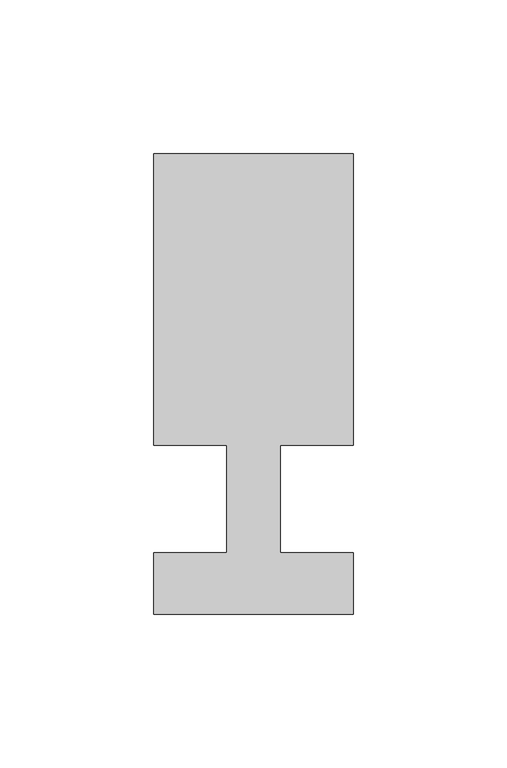
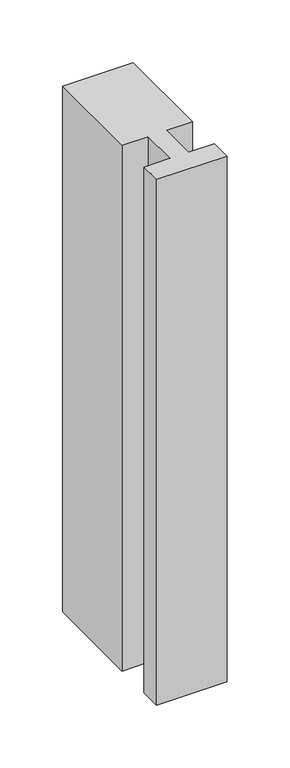
"""IFC4 building model written with IfcOpenShell, lengths in millimetres: member geometry."""

from ifc_helpers import new_model, si_unit, frame, origin, place, context, project, spatial, polyline, outline, extrude, source, transform, mapped, element, save


def member_0ad586e0(model_context):
    return source(origin(), model_context, "Body", "SweptSolid", [
        extrude(outline(polyline([(-65.0, -37.0), (-65.0, -17.0), (-41.1875, -17.0), (-41.1875, 18.0), (-65.0, 18.0), (-65.0, 113.0), (0.0, 113.0), (0.0, 18.0), (-23.8125, 18.0), (-23.8125, -17.0), (0.0, -17.0), (0.0, -37.0), (-65.0, -37.0)])), frame((0.0, 0.0, -511.90625), z_axis=(0.0, 0.0, 1.0), x_axis=(1.0, 0.0, 0.0)), (0.0, 0.0, 1.0), 511.90625),
    ])


if __name__ == "__main__":
    model = new_model("IFC4")
    model_context = context("Model", 3, world=origin())
    ifc_project = project(units=[si_unit("LENGTHUNIT", "METRE", prefix="MILLI")], contexts=[model_context])
    site = spatial("IfcSite", under=ifc_project)
    building = spatial("IfcBuilding", under=site)
    placement = place(None, origin())
    member_shape = member_0ad586e0(model_context)
    element("IfcMember", 1, at=placement, inside=building, context=model_context, shape_type="MappedRepresentation", body=[
        mapped(member_shape, transform((0.0, 0.0, 0.0), x_axis=(1.0, 0.0, 0.0), y_axis=(0.0, 1.0, 0.0), z_axis=(0.0, 0.0, 1.0))),
    ])
    save(model, "model.ifc")
